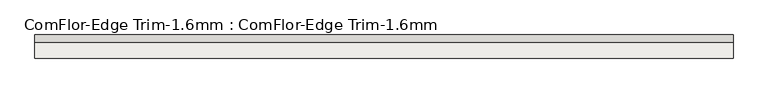
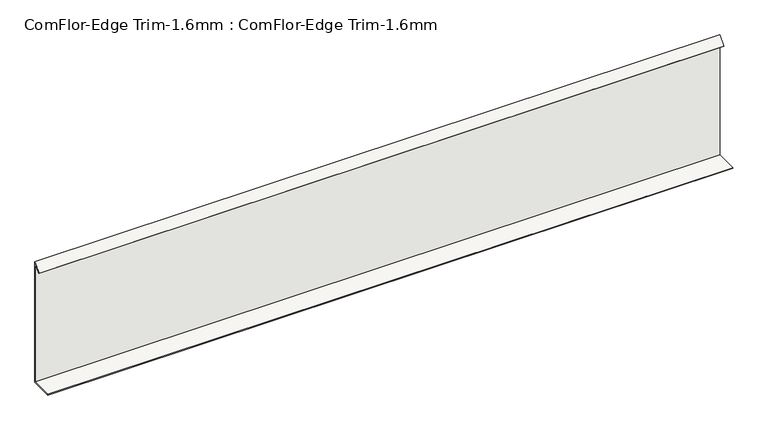
"""IFC4 building model written with IfcOpenShell, lengths in millimetres: slab geometry, ComFlor-Edge Trim-1.6mm : ComFlor-Edge Trim-1.6mm."""

from ifc_helpers import new_model, si_unit, frame, origin, place, context, project, spatial, polyline, outline, extrude, source, transform, mapped, element, save


def comflor_edge_trim_1_6mm_comflor_edge_trim_1_6mm_44f70b30(model_context):
    return source(origin(), model_context, "Body", "SweptSolid", [
        extrude(outline(polyline([(10225.8150233, 0.0), (10225.8150233, 284.1421356), (10211.6728877, 270.0), (10210.5415168, 271.1313708), (10227.4150233, 288.0048773), (10227.4150233, -1.6), (10175.8150233, -1.6), (10175.8150233, 0.0), (10225.8150233, 0.0)])), frame((-13438.0584914, 0.0, 0.0), z_axis=(1.0, 0.0, 0.0), x_axis=(0.0, 1.0, 0.0)), (0.0, 0.0, 1.0), 1560.0),
    ])


if __name__ == "__main__":
    model = new_model("IFC4")
    model_context = context("Model", 3, world=origin())
    ifc_project = project(units=[si_unit("LENGTHUNIT", "METRE", prefix="MILLI")], contexts=[model_context])
    site = spatial("IfcSite", under=ifc_project)
    building = spatial("IfcBuilding", under=site)
    placement = place(None, origin())
    comflor_edge_trim_1_6mm_comflor_edge_trim_1_6mm_shape = comflor_edge_trim_1_6mm_comflor_edge_trim_1_6mm_44f70b30(model_context)
    element("IfcSlab", 1, ObjectType="ComFlor-Edge Trim-1.6mm : ComFlor-Edge Trim-1.6mm", at=placement, inside=building, context=model_context, shape_type="MappedRepresentation", body=[
        mapped(comflor_edge_trim_1_6mm_comflor_edge_trim_1_6mm_shape, transform((0.0, 0.0, 0.0), x_axis=(1.0, 0.0, 0.0), y_axis=(0.0, 1.0, 0.0), z_axis=(0.0, 0.0, 1.0))),
    ])
    save(model, "model.ifc")
